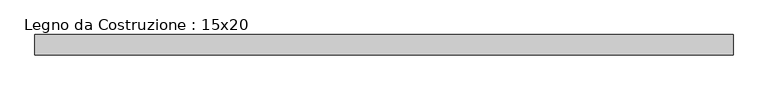
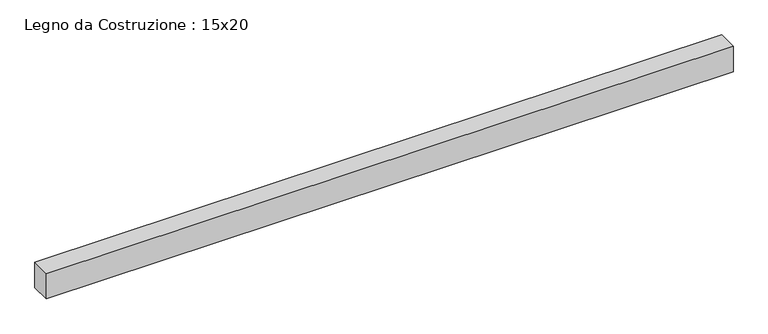
"""IFC4 building model written with IfcOpenShell, lengths in millimetres: beam geometry, Legno da Costruzione : 15x20."""

from ifc_helpers import new_model, si_unit, frame, origin, place, context, project, spatial, polyline, outline, extrude, source, transform, mapped, element, save


def legno_da_costruzione_15x20_8a879dd0(model_context):
    return source(origin(), model_context, "Body", "SweptSolid", [
        extrude(outline(polyline([(2669.0, 75.0), (2669.0, -75.0), (-2480.0, -75.0), (-2480.0, 75.0), (2669.0, 75.0)])), frame((0.0, 0.0, -100.0), z_axis=(0.0, 0.0, 1.0), x_axis=(1.0, 0.0, 0.0)), (0.0, 0.0, 1.0), 200.0),
    ])


if __name__ == "__main__":
    model = new_model("IFC4")
    model_context = context("Model", 3, world=origin())
    ifc_project = project(units=[si_unit("LENGTHUNIT", "METRE", prefix="MILLI")], contexts=[model_context])
    site = spatial("IfcSite", under=ifc_project)
    building = spatial("IfcBuilding", under=site)
    placement = place(None, origin())
    legno_da_costruzione_15x20_shape = legno_da_costruzione_15x20_8a879dd0(model_context)
    element("IfcBeam", 1, ObjectType="Legno da Costruzione : 15x20", at=placement, inside=building, context=model_context, shape_type="MappedRepresentation", body=[
        mapped(legno_da_costruzione_15x20_shape, transform((0.0, 0.0, 0.0), x_axis=(1.0, 0.0, 0.0), y_axis=(0.0, 1.0, 0.0), z_axis=(0.0, 0.0, 1.0))),
    ])
    save(model, "model.ifc")
